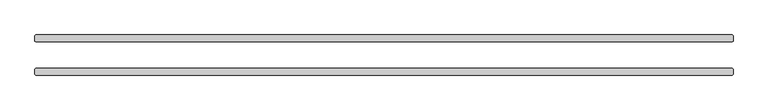
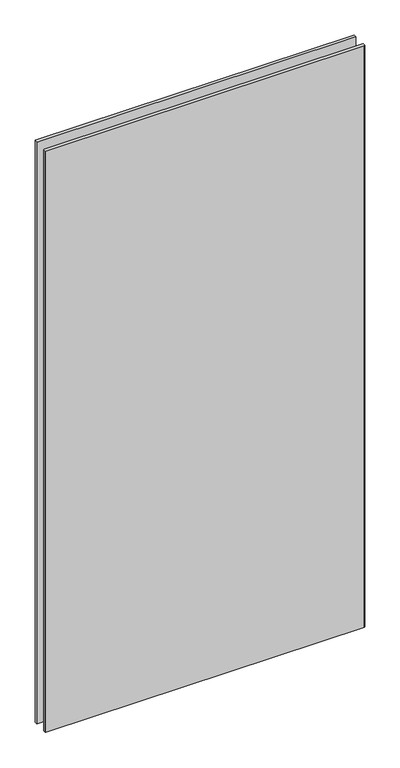
"""IFC4 building model written with IfcOpenShell, lengths in millimetres: plate geometry."""

from ifc_helpers import new_model, si_unit, origin, origin_with_axes, place, context, project, spatial, polyline, outline, extrude, source, transform, mapped, element, save


def plate_6647aa76(model_context):
    return source(origin(), model_context, "Body", "SweptSolid", [
        extrude(outline(polyline([(628.65, -23.8125), (630.2375, -25.4), (630.2375, -34.925), (628.65, -36.5125), (-628.65, -36.5125), (-630.2375, -34.925), (-630.2375, -25.4), (-628.65, -23.8125), (628.65, -23.8125)])), origin_with_axes(), (0.0, 0.0, 1.0), 2428.7789267),
        extrude(outline(polyline([(628.65, 36.5125), (630.2375, 34.925), (630.2375, 25.4), (628.65, 23.8125), (-628.65, 23.8125), (-630.2375, 25.4), (-630.2375, 34.925), (-628.65, 36.5125), (628.65, 36.5125)])), origin_with_axes(), (0.0, 0.0, 1.0), 2428.7789267),
    ])


if __name__ == "__main__":
    model = new_model("IFC4")
    model_context = context("Model", 3, world=origin())
    ifc_project = project(units=[si_unit("LENGTHUNIT", "METRE", prefix="MILLI")], contexts=[model_context])
    site = spatial("IfcSite", under=ifc_project)
    building = spatial("IfcBuilding", under=site)
    placement = place(None, origin())
    plate_shape = plate_6647aa76(model_context)
    element("IfcPlate", 1, at=placement, inside=building, context=model_context, shape_type="MappedRepresentation", body=[
        mapped(plate_shape, transform((0.0, 0.0, 0.0), x_axis=(1.0, 0.0, 0.0), y_axis=(0.0, 1.0, 0.0), z_axis=(0.0, 0.0, 1.0))),
    ])
    save(model, "model.ifc")
